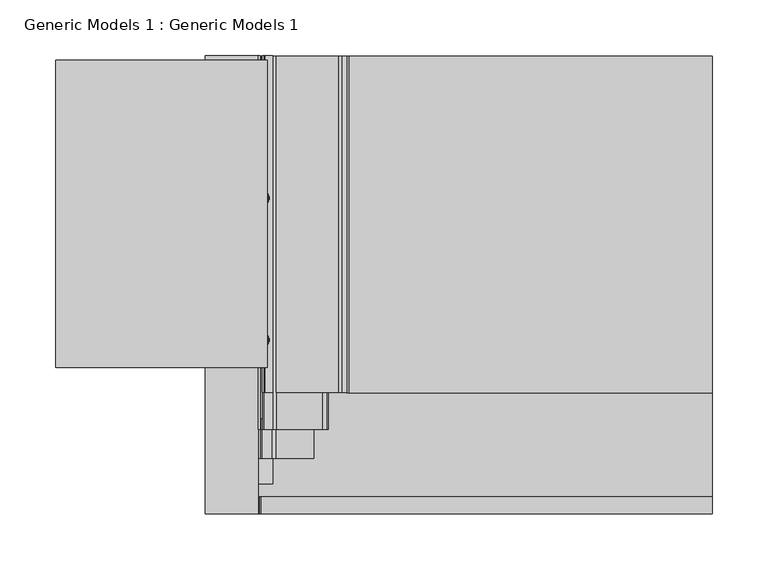
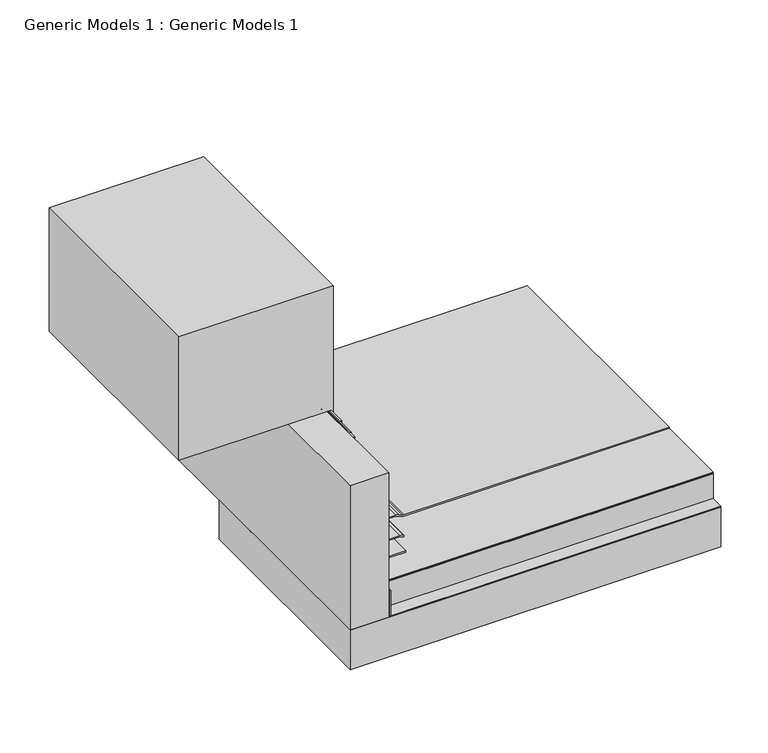
"""IFC4 building model written with IfcOpenShell, lengths in millimetres: proxy geometry, Generic Models 1 : Generic Models 1."""

from ifc_helpers import new_model, si_unit, point, frame, frame_2d, origin, place, context, project, spatial, polyline, circle_curve, trimmed, segment, composite_curve, outline, extrude, source, transform, mapped, element, save
from ifc_brep_helpers import plane_surface, cylinder_surface, revolved_surface, advanced_brep


def generic_models_1_generic_models_1_42cfa321(model_context):
    return source(origin(), model_context, "Body", "SolidModel", [
        extrude(outline(polyline([(154.78125, 487.9169046), (155.575, 487.9169046), (155.575, 84.5561519), (188.11875, 84.5561519), (188.11875, 83.7624019), (154.78125, 83.7624019), (154.78125, 487.9169046)])), frame((0.0, -15.8013273, 0.0), z_axis=(0.0, 1.0, 0.0), x_axis=(0.0, 0.0, 1.0)), (0.0, 0.0, 1.0), 409.6482663),
        extrude(outline(polyline([(35.0378202, 261.3017557), (487.9169046, 261.3017557), (487.9169046, -15.8013273), (35.0378202, -15.8013273), (35.0378202, 261.3017557)])), frame((0.0, 0.0, 103.1875), z_axis=(0.0, 0.0, 1.0), x_axis=(1.0, 0.0, 0.0)), (0.0, 0.0, 1.0), 50.8),
        extrude(outline(polyline([(340.51875, 87.3125), (310.5791141, 87.3125), (310.5791141, 90.4513986), (499.9960988, 90.4513986), (499.9960988, -98.425), (340.51875, -98.425), (340.51875, 87.3125)])), frame((0.0, 115.2679192, 0.0), z_axis=(0.0, 1.0, 0.0), x_axis=(0.0, 0.0, 1.0)), (0.0, 0.0, 1.0), 274.739507),
        extrude(outline(composite_curve([segment(trimmed(circle_curve(frame_2d((339.725, 84.93125)), 0.79375), [point((339.725, 85.725))], [point((339.725, 84.1375))], False, "CARTESIAN"), True, "CONTINUOUS"), segment(polyline([(339.725, 84.1375), (314.5968614, 84.1375)]), True, "CONTINUOUS"), segment(trimmed(circle_curve(frame_2d((314.5968614, 84.93125)), 0.79375), [point((314.5968614, 84.1375))], [point((314.5968614, 85.725))], False, "CARTESIAN"), True, "CONTINUOUS"), segment(polyline([(314.5968614, 85.725), (339.725, 85.725)]), True, "CONTINUOUS")], self_intersect=False)), frame((0.0, 69.4715508, 0.0), z_axis=(0.0, 1.0, 0.0), x_axis=(0.0, 0.0, 1.0)), (0.0, 0.0, 1.0), 235.3284492),
        extrude(outline(composite_curve([segment(polyline([(340.51875, 87.3125), (340.51875, 85.725), (274.6141889, 85.725)]), True, "CONTINUOUS"), segment(trimmed(circle_curve(frame_2d((274.6141889, 90.4875)), 4.7625), [point((274.6141889, 85.725))], [point((271.2465929, 87.119904))], False, "CARTESIAN"), True, "CONTINUOUS"), segment(polyline([(271.2465929, 87.119904), (264.2936627, 94.0728341), (265.4161947, 95.1953662), (272.3691249, 88.242436)]), True, "CONTINUOUS"), segment(trimmed(circle_curve(frame_2d((274.6141889, 90.4875)), 3.175), [point((272.3691249, 88.242436))], [point((274.6141889, 87.3125))], True, "CARTESIAN"), True, "CONTINUOUS"), segment(polyline([(274.6141889, 87.3125), (340.51875, 87.3125)]), True, "CONTINUOUS")], self_intersect=False)), frame((0.0, 92.6863112, 0.0), z_axis=(0.0, 1.0, 0.0), x_axis=(0.0, 0.0, 1.0)), (0.0, 0.0, 1.0), 301.1606278),
        advanced_brep(
        [(78.0547052, 266.7, 325.464534), (78.0547052, 266.7, 326.5091177), (75.0926407, 266.7, 325.9868258), (90.4875, 266.7, 325.464534), (90.4875, 266.7, 326.5091177), (90.4875, 266.7, 322.2980716), (90.4875, 266.7, 329.6755801), (91.2790658, 266.7, 322.2980716), (91.2790658, 266.7, 329.6755801), (91.2790658, 266.7, 324.6059786), (91.2790658, 266.7, 327.3676731), (92.0888577, 266.7, 324.6059786), (92.0888577, 266.7, 327.3676731), (92.0888577, 266.7, 325.9868258)],
        [
            (0, 1, circle_curve(frame((78.0547052, 266.7, 325.9868258), z_axis=(-1.0, 0.0, 0.0), x_axis=(0.0, 0.0, 1.0)), 0.5222919)),
            (1, 2),
            (2, 0),
            (1, 0, circle_curve(frame((78.0547052, 266.7, 325.9868258), z_axis=(-1.0, 0.0, 0.0), x_axis=(0.0, 0.0, 1.0)), 0.5222919)),
            (3, 4, circle_curve(frame((90.4875, 266.7, 325.9868258), z_axis=(-1.0, 0.0, 0.0), x_axis=(0.0, 0.0, 1.0)), 0.5222919)),
            (4, 1),
            (0, 3),
            (4, 3, circle_curve(frame((90.4875, 266.7, 325.9868258), z_axis=(-1.0, 0.0, 0.0), x_axis=(0.0, 0.0, 1.0)), 0.5222919)),
            (5, 6, circle_curve(frame((90.4875, 266.7, 325.9868258), z_axis=(-1.0, 0.0, 0.0), x_axis=(0.0, 0.0, 1.0)), 3.6887543)),
            (6, 4),
            (3, 5),
            (6, 5, circle_curve(frame((90.4875, 266.7, 325.9868258), z_axis=(-1.0, 0.0, 0.0), x_axis=(0.0, 0.0, 1.0)), 3.6887543)),
            (7, 8, circle_curve(frame((91.2790658, 266.7, 325.9868258), z_axis=(-1.0, 0.0, 0.0), x_axis=(0.0, 0.0, 1.0)), 3.6887543)),
            (8, 6),
            (5, 7),
            (8, 7, circle_curve(frame((91.2790658, 266.7, 325.9868258), z_axis=(-1.0, 0.0, 0.0), x_axis=(0.0, 0.0, 1.0)), 3.6887543)),
            (9, 10, circle_curve(frame((91.2790658, 266.7, 325.9868258), z_axis=(-1.0, 0.0, 0.0), x_axis=(0.0, 0.0, 1.0)), 1.3808472)),
            (10, 8),
            (7, 9),
            (10, 9, circle_curve(frame((91.2790658, 266.7, 325.9868258), z_axis=(-1.0, 0.0, 0.0), x_axis=(0.0, 0.0, 1.0)), 1.3808472)),
            (11, 12, circle_curve(frame((92.0888577, 266.7, 325.9868258), z_axis=(-1.0, 0.0, 0.0), x_axis=(0.0, 0.0, 1.0)), 1.3808472)),
            (12, 10),
            (9, 11),
            (12, 11, circle_curve(frame((92.0888577, 266.7, 325.9868258), z_axis=(-1.0, 0.0, 0.0), x_axis=(0.0, 0.0, 1.0)), 1.3808472)),
            (13, 12),
            (11, 13),
        ],
        [
            revolved_surface(polyline([(75.0926407, 266.7, 325.9868258), (78.0547052, 266.7, 326.5091177)]), (92.0888577, 266.7, 325.9868258), (1.0, 0.0, 0.0)),
            cylinder_surface(frame((92.0888577, 266.7, 325.9868258), z_axis=(1.0, 0.0, 0.0), x_axis=(0.0, 0.0, 1.0)), 0.5222919),
            plane_surface(frame((90.4875, 266.7, 325.9868258), z_axis=(-1.0, 0.0, 0.0), x_axis=(0.0, 0.0, 1.0))),
            cylinder_surface(frame((92.0888577, 266.7, 325.9868258), z_axis=(1.0, 0.0, 0.0), x_axis=(0.0, 0.0, 1.0)), 3.6887543),
            plane_surface(frame((91.2790658, 266.7, 325.9868258), z_axis=(1.0, 0.0, 0.0), x_axis=(0.0, 0.0, 1.0))),
            cylinder_surface(frame((92.0888577, 266.7, 325.9868258), z_axis=(1.0, 0.0, 0.0), x_axis=(0.0, 0.0, 1.0)), 1.3808472),
            plane_surface(frame((92.0888577, 266.7, 325.9868258), z_axis=(1.0, 0.0, 0.0), x_axis=(0.0, 0.0, 1.0))),
        ],
        [
            (0, [[1, 2, 3]]),
            (0, [[4, -3, -2]]),
            (1, [[5, 6, -1, 7]]),
            (1, [[8, -7, -4, -6]]),
            (2, [[9, 10, -5, 11]]),
            (2, [[12, -11, -8, -10]]),
            (3, [[13, 14, -9, 15]]),
            (3, [[16, -15, -12, -14]]),
            (4, [[17, 18, -13, 19]]),
            (4, [[20, -19, -16, -18]]),
            (5, [[21, 22, -17, 23]]),
            (5, [[24, -23, -20, -22]]),
            (6, [[25, -21, 26]]),
            (6, [[-26, -24, -25]]),
        ],
    ),
        advanced_brep(
        [(78.0547052, 139.7, 325.464534), (78.0547052, 139.7, 326.5091177), (75.0926407, 139.7, 325.9868258), (90.4875, 139.7, 325.464534), (90.4875, 139.7, 326.5091177), (90.4875, 139.7, 322.2980716), (90.4875, 139.7, 329.6755801), (91.2790658, 139.7, 322.2980716), (91.2790658, 139.7, 329.6755801), (91.2790658, 139.7, 324.6059786), (91.2790658, 139.7, 327.3676731), (92.0888577, 139.7, 324.6059786), (92.0888577, 139.7, 327.3676731), (92.0888577, 139.7, 325.9868258)],
        [
            (0, 1, circle_curve(frame((78.0547052, 139.7, 325.9868258), z_axis=(-1.0, 0.0, 0.0), x_axis=(0.0, 0.0, 1.0)), 0.5222919)),
            (1, 2),
            (2, 0),
            (1, 0, circle_curve(frame((78.0547052, 139.7, 325.9868258), z_axis=(-1.0, 0.0, 0.0), x_axis=(0.0, 0.0, 1.0)), 0.5222919)),
            (3, 4, circle_curve(frame((90.4875, 139.7, 325.9868258), z_axis=(-1.0, 0.0, 0.0), x_axis=(0.0, 0.0, 1.0)), 0.5222919)),
            (4, 1),
            (0, 3),
            (4, 3, circle_curve(frame((90.4875, 139.7, 325.9868258), z_axis=(-1.0, 0.0, 0.0), x_axis=(0.0, 0.0, 1.0)), 0.5222919)),
            (5, 6, circle_curve(frame((90.4875, 139.7, 325.9868258), z_axis=(-1.0, 0.0, 0.0), x_axis=(0.0, 0.0, 1.0)), 3.6887543)),
            (6, 4),
            (3, 5),
            (6, 5, circle_curve(frame((90.4875, 139.7, 325.9868258), z_axis=(-1.0, 0.0, 0.0), x_axis=(0.0, 0.0, 1.0)), 3.6887543)),
            (7, 8, circle_curve(frame((91.2790658, 139.7, 325.9868258), z_axis=(-1.0, 0.0, 0.0), x_axis=(0.0, 0.0, 1.0)), 3.6887543)),
            (8, 6),
            (5, 7),
            (8, 7, circle_curve(frame((91.2790658, 139.7, 325.9868258), z_axis=(-1.0, 0.0, 0.0), x_axis=(0.0, 0.0, 1.0)), 3.6887543)),
            (9, 10, circle_curve(frame((91.2790658, 139.7, 325.9868258), z_axis=(-1.0, 0.0, 0.0), x_axis=(0.0, 0.0, 1.0)), 1.3808472)),
            (10, 8),
            (7, 9),
            (10, 9, circle_curve(frame((91.2790658, 139.7, 325.9868258), z_axis=(-1.0, 0.0, 0.0), x_axis=(0.0, 0.0, 1.0)), 1.3808472)),
            (11, 12, circle_curve(frame((92.0888577, 139.7, 325.9868258), z_axis=(-1.0, 0.0, 0.0), x_axis=(0.0, 0.0, 1.0)), 1.3808472)),
            (12, 10),
            (9, 11),
            (12, 11, circle_curve(frame((92.0888577, 139.7, 325.9868258), z_axis=(-1.0, 0.0, 0.0), x_axis=(0.0, 0.0, 1.0)), 1.3808472)),
            (13, 12),
            (11, 13),
        ],
        [
            revolved_surface(polyline([(75.0926407, 139.7, 325.9868258), (78.0547052, 139.7, 326.5091177)]), (92.0888577, 139.7, 325.9868258), (1.0, 0.0, 0.0)),
            cylinder_surface(frame((92.0888577, 139.7, 325.9868258), z_axis=(1.0, 0.0, 0.0), x_axis=(0.0, 0.0, 1.0)), 0.5222919),
            plane_surface(frame((90.4875, 139.7, 325.9868258), z_axis=(-1.0, 0.0, 0.0), x_axis=(0.0, 0.0, 1.0))),
            cylinder_surface(frame((92.0888577, 139.7, 325.9868258), z_axis=(1.0, 0.0, 0.0), x_axis=(0.0, 0.0, 1.0)), 3.6887543),
            plane_surface(frame((91.2790658, 139.7, 325.9868258), z_axis=(1.0, 0.0, 0.0), x_axis=(0.0, 0.0, 1.0))),
            cylinder_surface(frame((92.0888577, 139.7, 325.9868258), z_axis=(1.0, 0.0, 0.0), x_axis=(0.0, 0.0, 1.0)), 1.3808472),
            plane_surface(frame((92.0888577, 139.7, 325.9868258), z_axis=(1.0, 0.0, 0.0), x_axis=(0.0, 0.0, 1.0))),
        ],
        [
            (0, [[1, 2, 3]]),
            (0, [[4, -3, -2]]),
            (1, [[5, 6, -1, 7]]),
            (1, [[8, -7, -4, -6]]),
            (2, [[9, 10, -5, 11]]),
            (2, [[12, -11, -8, -10]]),
            (3, [[13, 14, -9, 15]]),
            (3, [[16, -15, -12, -14]]),
            (4, [[17, 18, -13, 19]]),
            (4, [[20, -19, -16, -18]]),
            (5, [[21, 22, -17, 23]]),
            (5, [[24, -23, -20, -22]]),
            (6, [[25, -21, 26]]),
            (6, [[-26, -24, -25]]),
        ],
    ),
        extrude(outline(polyline([(82.55, 393.8469389), (487.9169046, 393.8469389), (487.9169046, 0.0), (82.55, 0.0), (82.55, 393.8469389)])), frame((0.0, 0.0, 188.9125), z_axis=(0.0, 0.0, 1.0), x_axis=(1.0, 0.0, 0.0)), (0.0, 0.0, 1.0), 0.79375),
        extrude(outline(composite_curve([segment(trimmed(circle_curve(frame_2d((187.325, 153.7084294)), 6.35), [point((193.675, 153.7084294))], [point((193.0800544, 156.3920554))], True, "CARTESIAN"), True, "CONTINUOUS"), segment(polyline([(193.0800544, 156.3920554), (191.0949456, 160.6491351)]), True, "CONTINUOUS"), segment(trimmed(circle_curve(frame_2d((196.85, 163.3327611)), 6.35), [point((191.0949456, 160.6491351))], [point((190.5, 163.3327611))], False, "CARTESIAN"), True, "CONTINUOUS"), segment(polyline([(190.5, 163.3327611), (190.5, 487.9169046), (192.0875, 487.9169046), (192.0875, 163.3327611)]), True, "CONTINUOUS"), segment(trimmed(circle_curve(frame_2d((196.85, 163.3327611)), 4.7625), [point((192.0875, 163.3327611))], [point((192.5337092, 161.3200416))], True, "CARTESIAN"), True, "CONTINUOUS"), segment(polyline([(192.5337092, 161.3200416), (194.5188181, 157.0629619)]), True, "CONTINUOUS"), segment(trimmed(circle_curve(frame_2d((187.325, 153.7084294)), 7.9375), [point((194.5188181, 157.0629619))], [point((195.2625, 153.7084294))], False, "CARTESIAN"), True, "CONTINUOUS"), segment(polyline([(195.2625, 153.7084294), (195.2625, 98.5378202), (193.675, 98.5378202), (193.675, 153.7084294)]), True, "CONTINUOUS")], self_intersect=False)), frame((0.0, 92.6863112, 0.0), z_axis=(0.0, 1.0, 0.0), x_axis=(0.0, 0.0, 1.0)), (0.0, 0.0, 1.0), 301.1606278),
        extrude(outline(composite_curve([segment(polyline([(340.51875, 84.1375), (340.51875, 82.55), (236.8806049, 82.55)]), True, "CONTINUOUS"), segment(trimmed(circle_curve(frame_2d((236.8806049, 88.9)), 6.35), [point((236.8806049, 82.55))], [point((233.8064244, 83.34375))], False, "CARTESIAN"), True, "CONTINUOUS"), segment(trimmed(circle_curve(frame_2d((230.7322439, 77.7875)), 6.35), [point((233.8064244, 83.34375))], [point((230.7322439, 84.1375))], True, "CARTESIAN"), True, "CONTINUOUS"), segment(polyline([(230.7322439, 84.1375), (206.4878202, 84.1375)]), True, "CONTINUOUS"), segment(trimmed(circle_curve(frame_2d((206.4878202, 90.4875)), 6.35), [point((206.4878202, 84.1375))], [point((201.9976921, 85.9973719))], False, "CARTESIAN"), True, "CONTINUOUS"), segment(polyline([(201.9976921, 85.9973719), (193.9473719, 94.0476921)]), True, "CONTINUOUS"), segment(trimmed(circle_curve(frame_2d((198.4375, 98.5378202)), 6.35), [point((193.9473719, 94.0476921))], [point((192.0875, 98.5378202))], False, "CARTESIAN"), True, "CONTINUOUS"), segment(polyline([(192.0875, 98.5378202), (192.0875, 139.6852414)]), True, "CONTINUOUS"), segment(trimmed(circle_curve(frame_2d((185.7375, 139.6852414)), 6.35), [point((192.0875, 139.6852414))], [point((191.2367613, 142.8602414))], True, "CARTESIAN"), True, "CONTINUOUS"), segment(polyline([(191.2367613, 142.8602414), (190.5, 144.1363494), (191.8748153, 144.9300994), (192.6115766, 143.6539914)]), True, "CONTINUOUS"), segment(trimmed(circle_curve(frame_2d((185.7375, 139.6852414)), 7.9375), [point((192.6115766, 143.6539914))], [point((193.675, 139.6852414))], False, "CARTESIAN"), True, "CONTINUOUS"), segment(polyline([(193.675, 139.6852414), (193.675, 98.5378202)]), True, "CONTINUOUS"), segment(trimmed(circle_curve(frame_2d((198.4375, 98.5378202)), 4.7625), [point((193.675, 98.5378202))], [point((195.069904, 95.1702241))], True, "CARTESIAN"), True, "CONTINUOUS"), segment(polyline([(195.069904, 95.1702241), (203.1202241, 87.119904)]), True, "CONTINUOUS"), segment(trimmed(circle_curve(frame_2d((206.4878202, 90.4875)), 4.7625), [point((203.1202241, 87.119904))], [point((206.4878202, 85.725))], True, "CARTESIAN"), True, "CONTINUOUS"), segment(polyline([(206.4878202, 85.725), (230.7322439, 85.725)]), True, "CONTINUOUS"), segment(trimmed(circle_curve(frame_2d((230.7322439, 77.7875)), 7.9375), [point((230.7322439, 85.725))], [point((234.5749695, 84.7328125))], False, "CARTESIAN"), True, "CONTINUOUS"), segment(trimmed(circle_curve(frame_2d((236.8806049, 88.9)), 4.7625), [point((234.5749695, 84.7328125))], [point((236.8806049, 84.1375))], True, "CARTESIAN"), True, "CONTINUOUS"), segment(polyline([(236.8806049, 84.1375), (340.51875, 84.1375)]), True, "CONTINUOUS")], self_intersect=False)), frame((0.0, 59.8326116, 0.0), z_axis=(0.0, 1.0, 0.0), x_axis=(0.0, 0.0, 1.0)), (0.0, 0.0, 1.0), 334.0143273),
        extrude(outline(composite_curve([segment(trimmed(circle_curve(frame_2d((205.8302561, 88.9)), 6.35), [point((205.8302561, 82.55))], [point((201.3401281, 84.4098719))], False, "CARTESIAN"), True, "CONTINUOUS"), segment(polyline([(201.3401281, 84.4098719), (192.3598719, 93.3901281)]), True, "CONTINUOUS"), segment(trimmed(circle_curve(frame_2d((196.85, 97.8802561)), 6.35), [point((192.3598719, 93.3901281))], [point((190.5, 97.8802561))], False, "CARTESIAN"), True, "CONTINUOUS"), segment(polyline([(190.5, 97.8802561), (190.5, 132.159375), (192.0875, 132.159375), (192.0875, 97.8802561)]), True, "CONTINUOUS"), segment(trimmed(circle_curve(frame_2d((196.85, 97.8802561)), 4.7625), [point((192.0875, 97.8802561))], [point((193.482404, 94.5126601))], True, "CARTESIAN"), True, "CONTINUOUS"), segment(polyline([(193.482404, 94.5126601), (202.4626601, 85.532404)]), True, "CONTINUOUS"), segment(trimmed(circle_curve(frame_2d((205.8302561, 88.9)), 4.7625), [point((202.4626601, 85.532404))], [point((205.8302561, 84.1375))], True, "CARTESIAN"), True, "CONTINUOUS"), segment(polyline([(205.8302561, 84.1375), (228.6, 84.1375), (228.6, 82.55), (205.8302561, 82.55)]), True, "CONTINUOUS")], self_intersect=False)), frame((0.0, 34.1351637, 0.0), z_axis=(0.0, 1.0, 0.0), x_axis=(0.0, 0.0, 1.0)), (0.0, 0.0, 1.0), 359.7117752),
        extrude(outline(polyline([(203.2, 82.55), (190.5, 82.55), (190.5, 95.25), (203.2, 82.55)])), frame((0.0, 10.9586873, 0.0), z_axis=(0.0, 1.0, 0.0), x_axis=(0.0, 0.0, 1.0)), (0.0, 0.0, 1.0), 382.8882516),
        extrude(outline(polyline([(85.9360462, 261.3017557), (487.9169046, 261.3017557), (487.9169046, 0.0), (85.9360462, 0.0), (85.9360462, 261.3017557)])), frame((0.0, 0.0, 156.36875), z_axis=(0.0, 0.0, 1.0), x_axis=(1.0, 0.0, 0.0)), (0.0, 0.0, 1.0), 31.75),
        extrude(outline(polyline([(82.55, -15.8013273), (35.0378202, -15.8013273), (35.0378202, 393.8469389), (82.55, 393.8469389), (82.55, -15.8013273)])), frame((0.0, 0.0, 153.9875), z_axis=(0.0, 0.0, 1.0), x_axis=(1.0, 0.0, 0.0)), (0.0, 0.0, 1.0), 186.53125),
    ])


if __name__ == "__main__":
    model = new_model("IFC4")
    model_context = context("Model", 3, world=origin())
    ifc_project = project(units=[si_unit("LENGTHUNIT", "METRE", prefix="MILLI")], contexts=[model_context])
    site = spatial("IfcSite", under=ifc_project)
    building = spatial("IfcBuilding", under=site)
    placement = place(None, origin())
    generic_models_1_generic_models_1_shape = generic_models_1_generic_models_1_42cfa321(model_context)
    element("IfcBuildingElementProxy", 1, Name="Generic Models 1 : Generic Models 1", ObjectType="Generic Models 1 : Generic Models 1", at=placement, inside=building, context=model_context, shape_type="MappedRepresentation", body=[
        mapped(generic_models_1_generic_models_1_shape, transform((0.0, 0.0, 0.0), x_axis=(1.0, 0.0, 0.0), y_axis=(0.0, 1.0, 0.0), z_axis=(0.0, 0.0, 1.0))),
    ])
    save(model, "model.ifc")
